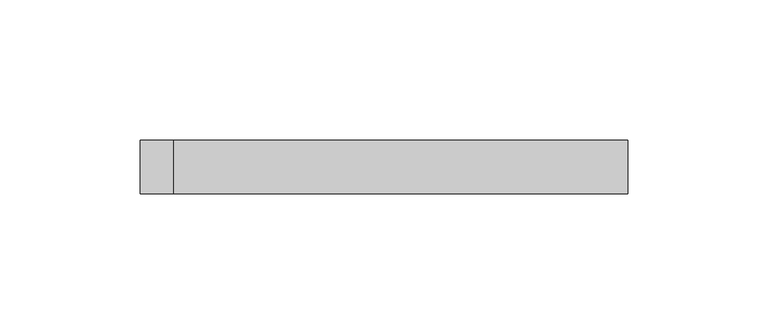
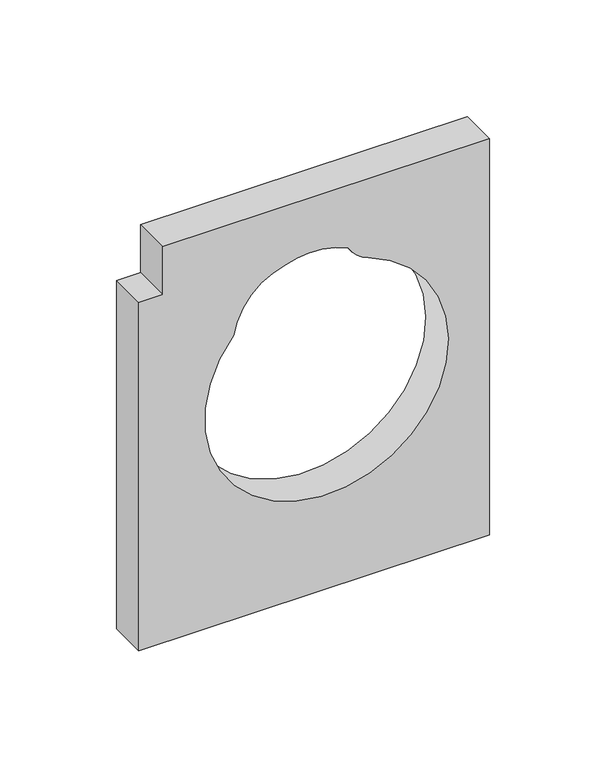
"""IFC4 building model written with IfcOpenShell, lengths in millimetres: proxy geometry."""

import ifcopenshell
import ifcopenshell.guid

model = None  # the IFC model being written
_history = None  # IfcOwnerHistory: only IFC2X3 demands one
_inside = {}  # id of a spatial element -> (the spatial element, [elements in it])
_under = {}  # id of a project, library or spatial element -> (it, [spatial elements below it])
_declared = {}  # id of a project -> (the project, [libraries it declares])
_typed = {}  # id of a type object -> (the type object, [elements of that type])
_made_of = {}  # id of a material, layer set ... -> (it, [elements and type objects made of it])


def new_model(schema):
    """Start an empty IFC model of exactly this schema.

    Asked for "IFC4X3", IfcOpenShell would pick the latest addendum, in which some entities
    have other attributes; the version numbers below select the first issue.
    IFC2X3 requires an IfcOwnerHistory on every rooted entity: one is made here for all.
    """
    global model, _history
    if schema == "IFC4X3":
        model = ifcopenshell.file(schema_version=(4, 3, 0, 0))
    else:
        model = ifcopenshell.file(schema=schema)
    _inside.clear()
    _under.clear()
    _declared.clear()
    _typed.clear()
    _made_of.clear()
    _history = None
    if model.schema == "IFC2X3":
        org = make("IfcOrganization", Name="unknown")
        user = make(
            "IfcPersonAndOrganization",
            ThePerson=make("IfcPerson", FamilyName="unknown"),
            TheOrganization=org,
        )
        app = make(
            "IfcApplication",
            ApplicationDeveloper=org,
            Version="unknown",
            ApplicationFullName="unknown",
            ApplicationIdentifier="unknown",
        )
        _history = make(
            "IfcOwnerHistory",
            OwningUser=user,
            OwningApplication=app,
            ChangeAction="ADDED",
            CreationDate=0,
        )
    return model


def make(cls, **values):
    """One entity of the class cls with the attributes given. An attribute that is None is left unset."""
    return model.create_entity(
        cls, **{name: value for name, value in values.items() if value is not None}
    )


def rooted(cls, **values):
    """An entity with a GlobalId (a new one), such as an element, a storey or a relation."""
    return make(cls, GlobalId=ifcopenshell.guid.new(), OwnerHistory=_history, **values)


def si_unit(unit_type, name, prefix=None):
    """IfcSIUnit, for example si_unit("LENGTHUNIT", "METRE", prefix="MILLI")."""
    return make("IfcSIUnit", UnitType=unit_type, Prefix=prefix, Name=name)


def assignment(units):
    """IfcUnitAssignment: the units of a project."""
    return None if units is None else make("IfcUnitAssignment", Units=units)


def point(xyz):
    """IfcCartesianPoint."""
    return None if xyz is None else make("IfcCartesianPoint", Coordinates=xyz)


def direction(xyz):
    """IfcDirection."""
    return None if xyz is None else make("IfcDirection", DirectionRatios=xyz)


def frame(location, z_axis=None, x_axis=None):
    """IfcAxis2Placement3D, a coordinate frame: its origin and axes. An axis left out is left unset."""
    return make(
        "IfcAxis2Placement3D",
        Location=point(location),
        Axis=direction(z_axis),
        RefDirection=direction(x_axis),
    )


def frame_2d(location, x_axis=None):
    """IfcAxis2Placement2D, a coordinate frame in the plane: its origin and x axis."""
    return make(
        "IfcAxis2Placement2D", Location=point(location), RefDirection=direction(x_axis)
    )


def origin():
    """The frame at (0, 0, 0) with its axes left unset."""
    return frame((0.0, 0.0, 0.0))


def place(relative_to, where):
    """IfcLocalPlacement: puts the frame where relative to a parent placement (None: the world)."""
    return make(
        "IfcLocalPlacement", PlacementRelTo=relative_to, RelativePlacement=where
    )


def context(
    kind, dimensions, precision=None, world=None, true_north=None, identifier=None
):
    """IfcGeometricRepresentationContext, for example the 3D "Model" context."""
    return make(
        "IfcGeometricRepresentationContext",
        ContextIdentifier=identifier,
        ContextType=kind,
        CoordinateSpaceDimension=dimensions,
        Precision=precision,
        WorldCoordinateSystem=world,
        TrueNorth=true_north,
    )


def project(units=None, contexts=None):
    """IfcProject with its units and contexts."""
    return rooted(
        "IfcProject",
        Name="project",
        RepresentationContexts=contexts,
        UnitsInContext=assignment(units),
    )


def spatial(cls, under=None, at=None, **own):
    """A site, building, storey or space (cls), placed at a placement, below another one or the project."""
    s = rooted(cls, ObjectPlacement=at, **own)
    if under is not None:
        _under.setdefault(under.id(), (under, []))[1].append(s)
    return s


def polyline(points):
    """IfcPolyline through the points."""
    return make("IfcPolyline", Points=[point(p) for p in points])


def circle_curve(where, radius):
    """IfcCircle in the frame where."""
    return make("IfcCircle", Position=where, Radius=radius)


def trimmed(basis, trim1, trim2, sense, master):
    """IfcTrimmedCurve: the piece of a basis curve between two trims."""
    return make(
        "IfcTrimmedCurve",
        BasisCurve=basis,
        Trim1=trim1,
        Trim2=trim2,
        SenseAgreement=sense,
        MasterRepresentation=master,
    )


def segment(curve, same_sense, transition):
    """IfcCompositeCurveSegment."""
    return make(
        "IfcCompositeCurveSegment",
        Transition=transition,
        SameSense=same_sense,
        ParentCurve=curve,
    )


def composite_curve(segments, self_intersect=None):
    """IfcCompositeCurve: segments joined end to end."""
    return make("IfcCompositeCurve", Segments=segments, SelfIntersect=self_intersect)


def outline(outer, holes=None, kind="AREA"):
    """IfcArbitraryClosedProfileDef: a profile drawn as a closed curve; with holes, ...WithVoids."""
    if holes is None:
        return make("IfcArbitraryClosedProfileDef", ProfileType=kind, OuterCurve=outer)
    return make(
        "IfcArbitraryProfileDefWithVoids",
        ProfileType=kind,
        OuterCurve=outer,
        InnerCurves=holes,
    )


def extrude(swept, where, along, depth):
    """IfcExtrudedAreaSolid: the profile swept, set in the frame where, extruded along a direction by depth."""
    return make(
        "IfcExtrudedAreaSolid",
        SweptArea=swept,
        Position=where,
        ExtrudedDirection=direction(along),
        Depth=depth,
    )


def shape(context_of_items, identifier, shape_type, items):
    """IfcShapeRepresentation: the items that make up one representation, for example the "Body"."""
    return make(
        "IfcShapeRepresentation",
        ContextOfItems=context_of_items,
        RepresentationIdentifier=identifier,
        RepresentationType=shape_type,
        Items=items,
    )


def source(mapping_origin, context_of_items, identifier, shape_type, items):
    """IfcRepresentationMap: a shape defined once, which mapped items show again and again."""
    return make(
        "IfcRepresentationMap",
        MappingOrigin=mapping_origin,
        MappedRepresentation=shape(context_of_items, identifier, shape_type, items),
    )


def transform(
    local_origin,
    x_axis=None,
    y_axis=None,
    z_axis=None,
    scale=None,
    scale2=None,
    scale3=None,
    uniform=True,
):
    """IfcCartesianTransformationOperator3D, or its non-uniform kind. x_axis, y_axis, z_axis: its Axis1, 2, 3."""
    if uniform:
        return make(
            "IfcCartesianTransformationOperator3D",
            Axis1=direction(x_axis),
            Axis2=direction(y_axis),
            LocalOrigin=point(local_origin),
            Scale=scale,
            Axis3=direction(z_axis),
        )
    return make(
        "IfcCartesianTransformationOperator3DnonUniform",
        Axis1=direction(x_axis),
        Axis2=direction(y_axis),
        LocalOrigin=point(local_origin),
        Scale=scale,
        Axis3=direction(z_axis),
        Scale2=scale2,
        Scale3=scale3,
    )


def mapped(mapping_source, mapping_target):
    """IfcMappedItem: shows the shape of a source again, moved by a transform."""
    return make(
        "IfcMappedItem", MappingSource=mapping_source, MappingTarget=mapping_target
    )


def made_of(thing, what):
    """Note that an element or type object is made of a material, layer set ...; save() writes the relation."""
    if what is not None:
        _made_of.setdefault(what.id(), (what, []))[1].append(thing)
    return thing


def element(
    cls,
    number,
    at=None,
    inside=None,
    cuts=None,
    type_object=None,
    material=None,
    context=None,
    identifier="Body",
    shape_type=None,
    held_by="IfcProductDefinitionShape",
    body=None,
    shapes=None,
    **own,
):
    """One element of the class cls, such as IfcWall. Its Tag is "e" and its number.

    at: its placement. inside: the storey or other place that contains it. cuts: it is an
    opening in that element (IfcRelVoidsElement). A single representation is given by context,
    identifier, shape_type and body (its items); several are given by shapes. held_by: the class
    of the entity that holds the representations. save() writes the other relations.
    """
    e = rooted(cls, Tag="e%d" % number, ObjectPlacement=at, **own)
    if body is not None:
        shapes = [shape(context, identifier, shape_type, body)]
    if shapes is not None:
        e.Representation = make(held_by, Representations=shapes)
    if inside is not None:
        _inside.setdefault(inside.id(), (inside, []))[1].append(e)
    if cuts is not None:
        rooted(
            "IfcRelVoidsElement", RelatingBuildingElement=cuts, RelatedOpeningElement=e
        )
    if type_object is not None:
        _typed.setdefault(type_object.id(), (type_object, []))[1].append(e)
    return made_of(e, material)


def aggregate(whole, parts):
    """IfcRelAggregates: a whole, such as a stair, and the parts it consists of."""
    return rooted("IfcRelAggregates", RelatingObject=whole, RelatedObjects=parts)


def save(model, path):
    """Write the relations noted so far, then the file.

    IfcRelAggregates (storeys below a building ...), IfcRelContainedInSpatialStructure (elements
    in a storey), IfcRelDefinesByType, IfcRelAssociatesMaterial and IfcRelDeclares: one each for
    every whole, place, type object, material and project.
    """
    for whole, parts in _under.values():
        aggregate(whole, parts)
    for where, things in _inside.values():
        rooted(
            "IfcRelContainedInSpatialStructure",
            RelatedElements=things,
            RelatingStructure=where,
        )
    for kind, things in _typed.values():
        rooted("IfcRelDefinesByType", RelatedObjects=things, RelatingType=kind)
    for what, things in _made_of.values():
        rooted("IfcRelAssociatesMaterial", RelatedObjects=things, RelatingMaterial=what)
    for by, libraries in _declared.values():
        rooted("IfcRelDeclares", RelatingContext=by, RelatedDefinitions=libraries)
    model.write(path)


def generic_models_99eb2320(model_context):
    return source(origin(), model_context, "Body", "SweptSolid", [
        extrude(outline(polyline([(841.2300946, -168.0860039), (816.0695946, -168.0860039), (816.0695946, -180.0860039), (633.4772202, -180.0860039), (633.4772202, -6.129045), (841.2300946, -6.129045), (841.2300946, -168.0860039)]), holes=[composite_curve([segment(trimmed(circle_curve(frame_2d((777.4106809, -99.1934402)), 33.8607817), [point((782.3318404, -132.6947047))], [point((810.4134247, -106.7678338))], True, "CARTESIAN"), True, "CONTINUOUS"), segment(trimmed(circle_curve(frame_2d((772.958334, -94.3710706)), 39.4533086), [point((810.4134247, -106.7678338))], [point((812.3918692, -95.6200129))], True, "CARTESIAN"), True, "CONTINUOUS"), segment(trimmed(circle_curve(frame_2d((774.3627863, -93.2964689)), 38.1), [point((812.3918692, -95.6200129))], [point((808.3979886, -76.1729469))], True, "CARTESIAN"), True, "CONTINUOUS"), segment(trimmed(circle_curve(frame_2d((816.7430858, -60.2591924)), 17.969091), [point((808.3979886, -76.1729469))], [point((799.8431462, -66.3649496))], False, "CARTESIAN"), True, "CONTINUOUS"), segment(trimmed(circle_curve(frame_2d((743.1074516, -86.862915)), 60.325), [point((799.8431462, -66.3649496))], [point((782.3318404, -132.6947047))], True, "CARTESIAN"), True, "CONTINUOUS")], self_intersect=False)]), frame((0.0, -19.05, 0.0), z_axis=(0.0, 1.0, 0.0), x_axis=(0.0, 0.0, 1.0)), (0.0, 0.0, 1.0), 19.05),
    ])


if __name__ == "__main__":
    model = new_model("IFC4")
    model_context = context("Model", 3, world=origin())
    ifc_project = project(units=[si_unit("LENGTHUNIT", "METRE", prefix="MILLI")], contexts=[model_context])
    site = spatial("IfcSite", under=ifc_project)
    building = spatial("IfcBuilding", under=site)
    placement = place(None, origin())
    generic_models_shape = generic_models_99eb2320(model_context)
    element("IfcBuildingElementProxy", 1, Name="Generic Models", at=placement, inside=building, context=model_context, shape_type="MappedRepresentation", body=[
        mapped(generic_models_shape, transform((0.0, 0.0, 0.0), x_axis=(1.0, 0.0, 0.0), y_axis=(0.0, 1.0, 0.0), z_axis=(0.0, 0.0, 1.0))),
    ])
    save(model, "model.ifc")
